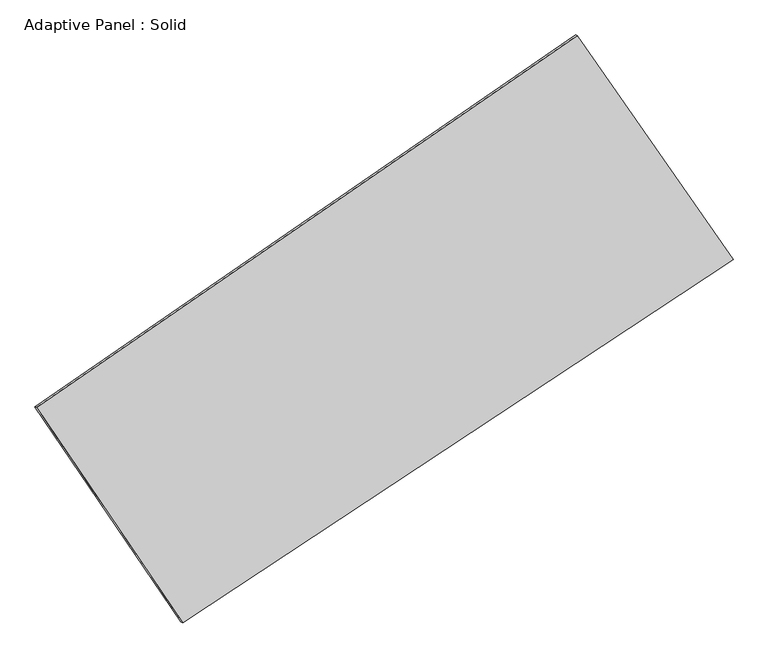
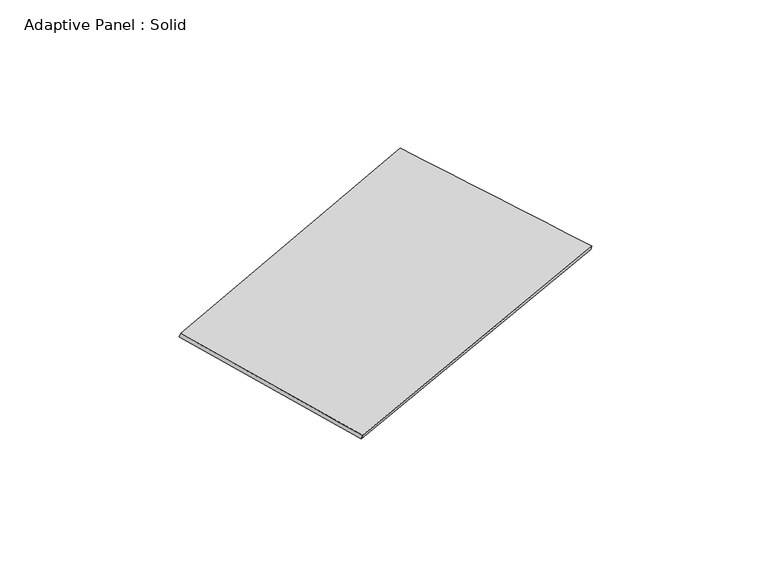
"""IFC4 building model written with IfcOpenShell, lengths in millimetres: plate geometry, Adaptive Panel : Solid."""

from ifc_helpers import new_model, si_unit, frame, origin, place, context, project, spatial, source, transform, mapped, element, save
from ifc_brep_helpers import plane_surface, spline_surface, advanced_brep


def adaptive_panel_solid_5bf0581e(model_context):
    return source(origin(), model_context, "Body", "AdvancedBrep", [
        advanced_brep(
        [(1074.1337969, 2519.0288374, 663.3206863), (-3710.9925915, -774.4942429, 1755.5067367), (-3696.3262356, -780.8743364, 1802.8796448), (1088.8001527, 2512.6487439, 710.6935944), (-2419.284155, -2679.8745821, 1043.7388786), (-2404.6177992, -2686.2546756, 1091.1117866), (2452.8523715, 535.0914148, 22.5562185), (2467.5187273, 528.7113213, 69.9291266)],
        [
            (0, 1),
            (1, 2),
            (2, 3),
            (3, 0),
            (1, 4),
            (4, 5),
            (5, 2),
            (4, 6),
            (6, 7),
            (7, 5),
            (6, 0),
            (3, 7),
        ],
        [
            plane_surface(frame((-1318.4293973, 872.2672972, 1209.4137115), z_axis=(-0.5043685245463497, 0.8212519105875083, 0.26675398929220373), x_axis=(-0.8095559778179522, -0.5572039443354618, 0.18477792940776938))),
            plane_surface(frame((-3065.1383733, -1727.1844125, 1399.6228077), z_axis=(-0.787115041764337, -0.5947167718591472, 0.1635905629850369), x_axis=(0.5360940667203269, -0.7907845655443583, -0.29540298326875836))),
            plane_surface(frame((16.7841082, -1072.3915837, 533.1475486), z_axis=(0.4920502151650505, -0.8295539385757094, -0.2640584191983963), x_axis=(0.8221737805646525, 0.5425260014111318, -0.17232472934804013))),
            plane_surface(frame((1763.4930842, 1527.0601261, 342.9384524), z_axis=(0.7849042158190562, 0.5979365067497293, -0.1624724773166323), x_axis=(-0.5515998923100073, 0.7937367993947498, 0.2563580544671207))),
            spline_surface(1, 1, [[(-3696.3262356, -780.8743364, 1802.8796448), (1088.8001527, 2512.6487439, 710.6935944)], [(-2404.6177992, -2686.2546756, 1091.1117866), (2467.5187273, 528.7113213, 69.9291266)]], [2, 2], [2, 2], [0.0, 1.0], [0.0, 1.0]),
            spline_surface(1, 1, [[(2452.8523715, 535.0914148, 22.5562185), (1074.1337969, 2519.0288374, 663.3206863)], [(-2419.284155, -2679.8745821, 1043.7388786), (-3710.9925915, -774.4942429, 1755.5067367)]], [2, 2], [2, 2], [0.0, 1.0], [0.0, 1.0]),
        ],
        [
            (0, [[1, 2, 3, 4]]),
            (1, [[5, 6, 7, -2]]),
            (2, [[8, 9, 10, -6]]),
            (3, [[11, -4, 12, -9]]),
            (4, [[-3, -7, -10, -12]]),
            (5, [[-11, -8, -5, -1]]),
        ],
    ),
    ])


if __name__ == "__main__":
    model = new_model("IFC4")
    model_context = context("Model", 3, world=origin())
    ifc_project = project(units=[si_unit("LENGTHUNIT", "METRE", prefix="MILLI")], contexts=[model_context])
    site = spatial("IfcSite", under=ifc_project)
    building = spatial("IfcBuilding", under=site)
    placement = place(None, origin())
    adaptive_panel_solid_shape = adaptive_panel_solid_5bf0581e(model_context)
    element("IfcPlate", 1, ObjectType="Adaptive Panel : Solid", at=placement, inside=building, context=model_context, shape_type="MappedRepresentation", body=[
        mapped(adaptive_panel_solid_shape, transform((0.0, 0.0, 0.0), x_axis=(1.0, 0.0, 0.0), y_axis=(0.0, 1.0, 0.0), z_axis=(0.0, 0.0, 1.0))),
    ])
    save(model, "model.ifc")
